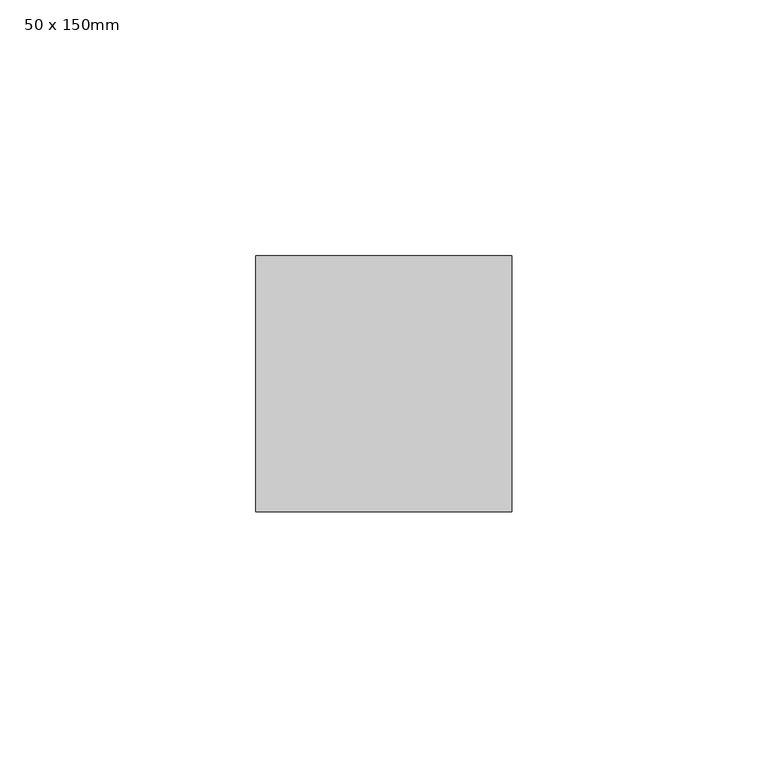
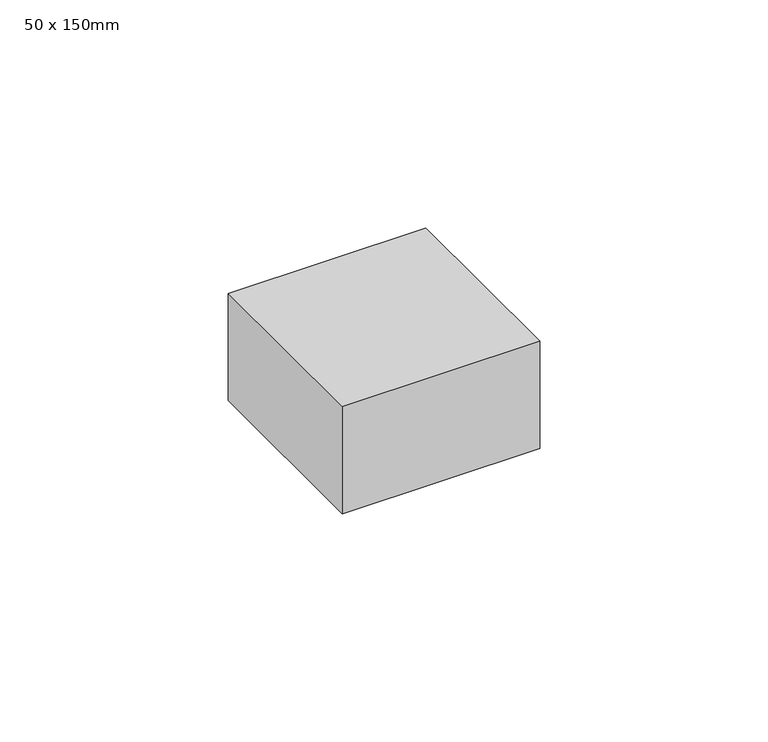
"""IFC4 building model written with IfcOpenShell, lengths in millimetres: member geometry, 50 x 150mm."""

from ifc_helpers import new_model, si_unit, frame, origin, place, context, project, spatial, polyline, outline, extrude, source, transform, mapped, element, save


def member_50_x_150mm_8e8ec2c9(model_context):
    return source(origin(), model_context, "Body", "SweptSolid", [
        extrude(outline(polyline([(25.0, 25.0), (25.0, -25.0), (-25.0, -25.0), (-25.0, 25.0), (25.0, 25.0)])), frame((0.0, 0.0, -28.7182403), z_axis=(0.0, 0.0, 1.0), x_axis=(1.0, 0.0, 0.0)), (0.0, 0.0, 1.0), 28.7182403),
    ])


if __name__ == "__main__":
    model = new_model("IFC4")
    model_context = context("Model", 3, world=origin())
    ifc_project = project(units=[si_unit("LENGTHUNIT", "METRE", prefix="MILLI")], contexts=[model_context])
    site = spatial("IfcSite", under=ifc_project)
    building = spatial("IfcBuilding", under=site)
    placement = place(None, origin())
    member_50_x_150mm_shape = member_50_x_150mm_8e8ec2c9(model_context)
    element("IfcMember", 1, ObjectType="50 x 150mm", at=placement, inside=building, context=model_context, shape_type="MappedRepresentation", body=[
        mapped(member_50_x_150mm_shape, transform((0.0, 0.0, 0.0), x_axis=(1.0, 0.0, 0.0), y_axis=(0.0, 1.0, 0.0), z_axis=(0.0, 0.0, 1.0))),
    ])
    save(model, "model.ifc")
